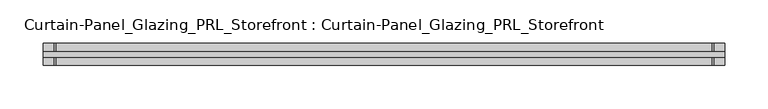
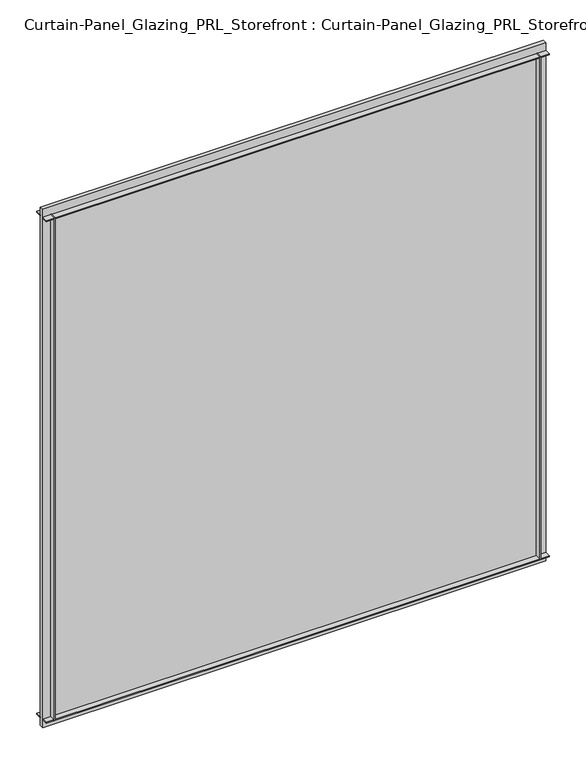
"""IFC4 building model written with IfcOpenShell, lengths in millimetres: plate geometry, Curtain-Panel_Glazing_PRL_Storefront : Curtain-Panel_Glazing_PRL_Storefront."""

import ifcopenshell
import ifcopenshell.guid

model = None  # the IFC model being written
_history = None  # IfcOwnerHistory: only IFC2X3 demands one
_inside = {}  # id of a spatial element -> (the spatial element, [elements in it])
_under = {}  # id of a project, library or spatial element -> (it, [spatial elements below it])
_declared = {}  # id of a project -> (the project, [libraries it declares])
_typed = {}  # id of a type object -> (the type object, [elements of that type])
_made_of = {}  # id of a material, layer set ... -> (it, [elements and type objects made of it])


def new_model(schema):
    """Start an empty IFC model of exactly this schema.

    Asked for "IFC4X3", IfcOpenShell would pick the latest addendum, in which some entities
    have other attributes; the version numbers below select the first issue.
    IFC2X3 requires an IfcOwnerHistory on every rooted entity: one is made here for all.
    """
    global model, _history
    if schema == "IFC4X3":
        model = ifcopenshell.file(schema_version=(4, 3, 0, 0))
    else:
        model = ifcopenshell.file(schema=schema)
    _inside.clear()
    _under.clear()
    _declared.clear()
    _typed.clear()
    _made_of.clear()
    _history = None
    if model.schema == "IFC2X3":
        org = make("IfcOrganization", Name="unknown")
        user = make(
            "IfcPersonAndOrganization",
            ThePerson=make("IfcPerson", FamilyName="unknown"),
            TheOrganization=org,
        )
        app = make(
            "IfcApplication",
            ApplicationDeveloper=org,
            Version="unknown",
            ApplicationFullName="unknown",
            ApplicationIdentifier="unknown",
        )
        _history = make(
            "IfcOwnerHistory",
            OwningUser=user,
            OwningApplication=app,
            ChangeAction="ADDED",
            CreationDate=0,
        )
    return model


def make(cls, **values):
    """One entity of the class cls with the attributes given. An attribute that is None is left unset."""
    return model.create_entity(
        cls, **{name: value for name, value in values.items() if value is not None}
    )


def rooted(cls, **values):
    """An entity with a GlobalId (a new one), such as an element, a storey or a relation."""
    return make(cls, GlobalId=ifcopenshell.guid.new(), OwnerHistory=_history, **values)


def si_unit(unit_type, name, prefix=None):
    """IfcSIUnit, for example si_unit("LENGTHUNIT", "METRE", prefix="MILLI")."""
    return make("IfcSIUnit", UnitType=unit_type, Prefix=prefix, Name=name)


def assignment(units):
    """IfcUnitAssignment: the units of a project."""
    return None if units is None else make("IfcUnitAssignment", Units=units)


def point(xyz):
    """IfcCartesianPoint."""
    return None if xyz is None else make("IfcCartesianPoint", Coordinates=xyz)


def direction(xyz):
    """IfcDirection."""
    return None if xyz is None else make("IfcDirection", DirectionRatios=xyz)


def frame(location, z_axis=None, x_axis=None):
    """IfcAxis2Placement3D, a coordinate frame: its origin and axes. An axis left out is left unset."""
    return make(
        "IfcAxis2Placement3D",
        Location=point(location),
        Axis=direction(z_axis),
        RefDirection=direction(x_axis),
    )


def origin():
    """The frame at (0, 0, 0) with its axes left unset."""
    return frame((0.0, 0.0, 0.0))


def origin_with_axes():
    """The frame at (0, 0, 0) with the z axis (0, 0, 1) and the x axis (1, 0, 0) written out."""
    return frame((0.0, 0.0, 0.0), z_axis=(0.0, 0.0, 1.0), x_axis=(1.0, 0.0, 0.0))


def place(relative_to, where):
    """IfcLocalPlacement: puts the frame where relative to a parent placement (None: the world)."""
    return make(
        "IfcLocalPlacement", PlacementRelTo=relative_to, RelativePlacement=where
    )


def context(
    kind, dimensions, precision=None, world=None, true_north=None, identifier=None
):
    """IfcGeometricRepresentationContext, for example the 3D "Model" context."""
    return make(
        "IfcGeometricRepresentationContext",
        ContextIdentifier=identifier,
        ContextType=kind,
        CoordinateSpaceDimension=dimensions,
        Precision=precision,
        WorldCoordinateSystem=world,
        TrueNorth=true_north,
    )


def project(units=None, contexts=None):
    """IfcProject with its units and contexts."""
    return rooted(
        "IfcProject",
        Name="project",
        RepresentationContexts=contexts,
        UnitsInContext=assignment(units),
    )


def spatial(cls, under=None, at=None, **own):
    """A site, building, storey or space (cls), placed at a placement, below another one or the project."""
    s = rooted(cls, ObjectPlacement=at, **own)
    if under is not None:
        _under.setdefault(under.id(), (under, []))[1].append(s)
    return s


def polyline(points):
    """IfcPolyline through the points."""
    return make("IfcPolyline", Points=[point(p) for p in points])


def outline(outer, holes=None, kind="AREA"):
    """IfcArbitraryClosedProfileDef: a profile drawn as a closed curve; with holes, ...WithVoids."""
    if holes is None:
        return make("IfcArbitraryClosedProfileDef", ProfileType=kind, OuterCurve=outer)
    return make(
        "IfcArbitraryProfileDefWithVoids",
        ProfileType=kind,
        OuterCurve=outer,
        InnerCurves=holes,
    )


def extrude(swept, where, along, depth):
    """IfcExtrudedAreaSolid: the profile swept, set in the frame where, extruded along a direction by depth."""
    return make(
        "IfcExtrudedAreaSolid",
        SweptArea=swept,
        Position=where,
        ExtrudedDirection=direction(along),
        Depth=depth,
    )


def shape(context_of_items, identifier, shape_type, items):
    """IfcShapeRepresentation: the items that make up one representation, for example the "Body"."""
    return make(
        "IfcShapeRepresentation",
        ContextOfItems=context_of_items,
        RepresentationIdentifier=identifier,
        RepresentationType=shape_type,
        Items=items,
    )


def source(mapping_origin, context_of_items, identifier, shape_type, items):
    """IfcRepresentationMap: a shape defined once, which mapped items show again and again."""
    return make(
        "IfcRepresentationMap",
        MappingOrigin=mapping_origin,
        MappedRepresentation=shape(context_of_items, identifier, shape_type, items),
    )


def transform(
    local_origin,
    x_axis=None,
    y_axis=None,
    z_axis=None,
    scale=None,
    scale2=None,
    scale3=None,
    uniform=True,
):
    """IfcCartesianTransformationOperator3D, or its non-uniform kind. x_axis, y_axis, z_axis: its Axis1, 2, 3."""
    if uniform:
        return make(
            "IfcCartesianTransformationOperator3D",
            Axis1=direction(x_axis),
            Axis2=direction(y_axis),
            LocalOrigin=point(local_origin),
            Scale=scale,
            Axis3=direction(z_axis),
        )
    return make(
        "IfcCartesianTransformationOperator3DnonUniform",
        Axis1=direction(x_axis),
        Axis2=direction(y_axis),
        LocalOrigin=point(local_origin),
        Scale=scale,
        Axis3=direction(z_axis),
        Scale2=scale2,
        Scale3=scale3,
    )


def mapped(mapping_source, mapping_target):
    """IfcMappedItem: shows the shape of a source again, moved by a transform."""
    return make(
        "IfcMappedItem", MappingSource=mapping_source, MappingTarget=mapping_target
    )


def made_of(thing, what):
    """Note that an element or type object is made of a material, layer set ...; save() writes the relation."""
    if what is not None:
        _made_of.setdefault(what.id(), (what, []))[1].append(thing)
    return thing


def element(
    cls,
    number,
    at=None,
    inside=None,
    cuts=None,
    type_object=None,
    material=None,
    context=None,
    identifier="Body",
    shape_type=None,
    held_by="IfcProductDefinitionShape",
    body=None,
    shapes=None,
    **own,
):
    """One element of the class cls, such as IfcWall. Its Tag is "e" and its number.

    at: its placement. inside: the storey or other place that contains it. cuts: it is an
    opening in that element (IfcRelVoidsElement). A single representation is given by context,
    identifier, shape_type and body (its items); several are given by shapes. held_by: the class
    of the entity that holds the representations. save() writes the other relations.
    """
    e = rooted(cls, Tag="e%d" % number, ObjectPlacement=at, **own)
    if body is not None:
        shapes = [shape(context, identifier, shape_type, body)]
    if shapes is not None:
        e.Representation = make(held_by, Representations=shapes)
    if inside is not None:
        _inside.setdefault(inside.id(), (inside, []))[1].append(e)
    if cuts is not None:
        rooted(
            "IfcRelVoidsElement", RelatingBuildingElement=cuts, RelatedOpeningElement=e
        )
    if type_object is not None:
        _typed.setdefault(type_object.id(), (type_object, []))[1].append(e)
    return made_of(e, material)


def aggregate(whole, parts):
    """IfcRelAggregates: a whole, such as a stair, and the parts it consists of."""
    return rooted("IfcRelAggregates", RelatingObject=whole, RelatedObjects=parts)


def save(model, path):
    """Write the relations noted so far, then the file.

    IfcRelAggregates (storeys below a building ...), IfcRelContainedInSpatialStructure (elements
    in a storey), IfcRelDefinesByType, IfcRelAssociatesMaterial and IfcRelDeclares: one each for
    every whole, place, type object, material and project.
    """
    for whole, parts in _under.values():
        aggregate(whole, parts)
    for where, things in _inside.values():
        rooted(
            "IfcRelContainedInSpatialStructure",
            RelatedElements=things,
            RelatingStructure=where,
        )
    for kind, things in _typed.values():
        rooted("IfcRelDefinesByType", RelatedObjects=things, RelatingType=kind)
    for what, things in _made_of.values():
        rooted("IfcRelAssociatesMaterial", RelatedObjects=things, RelatingMaterial=what)
    for by, libraries in _declared.values():
        rooted("IfcRelDeclares", RelatingContext=by, RelatedDefinitions=libraries)
    model.write(path)


def curtain_panel_glazing_prl_storefront_curtain_panel_glazing_763da0e8(model_context):
    return source(origin(), model_context, "Body", "SweptSolid", [
        extrude(outline(polyline([(381.0, 12.7), (381.0, 3.175), (379.4125, 3.175), (379.4125, 12.7), (381.0, 12.7)])), frame((0.0, 0.0, 12.7), z_axis=(0.0, 0.0, 1.0), x_axis=(1.0, 0.0, 0.0)), (0.0, 0.0, 1.0), 831.85),
        extrude(outline(polyline([(381.0, -12.7), (379.4125, -12.7), (379.4125, -3.175), (381.0, -3.175), (381.0, -12.7)])), frame((0.0, 0.0, 12.7), z_axis=(0.0, 0.0, 1.0), x_axis=(1.0, 0.0, 0.0)), (0.0, 0.0, 1.0), 831.85),
        extrude(outline(polyline([(-381.0, 12.7), (-379.4125, 12.7), (-379.4125, 3.175), (-381.0, 3.175), (-381.0, 12.7)])), frame((0.0, 0.0, 12.7), z_axis=(0.0, 0.0, 1.0), x_axis=(1.0, 0.0, 0.0)), (0.0, 0.0, 1.0), 831.85),
        extrude(outline(polyline([(-381.0, -12.7), (-381.0, -3.175), (-379.4125, -3.175), (-379.4125, -12.7), (-381.0, -12.7)])), frame((0.0, 0.0, 12.7), z_axis=(0.0, 0.0, 1.0), x_axis=(1.0, 0.0, 0.0)), (0.0, 0.0, 1.0), 831.85),
        extrude(outline(polyline([(393.7, -3.175), (-393.7, -3.175), (-393.7, 3.175), (393.7, 3.175), (393.7, -3.175)])), origin_with_axes(), (0.0, 0.0, 1.0), 857.25),
        extrude(outline(polyline([(-393.7, 12.7), (393.7, 12.7), (393.7, 3.175), (-393.7, 3.175), (-393.7, 12.7)])), frame((0.0, 0.0, 842.9625), z_axis=(0.0, 0.0, 1.0), x_axis=(1.0, 0.0, 0.0)), (0.0, 0.0, 1.0), 1.5875),
        extrude(outline(polyline([(-393.7, -12.7), (-393.7, -3.175), (393.7, -3.175), (393.7, -12.7), (-393.7, -12.7)])), frame((0.0, 0.0, 842.9625), z_axis=(0.0, 0.0, 1.0), x_axis=(1.0, 0.0, 0.0)), (0.0, 0.0, 1.0), 1.5875),
        extrude(outline(polyline([(-393.7, 12.7), (393.7, 12.7), (393.7, 3.175), (-393.7, 3.175), (-393.7, 12.7)])), frame((0.0, 0.0, 12.7), z_axis=(0.0, 0.0, 1.0), x_axis=(1.0, 0.0, 0.0)), (0.0, 0.0, 1.0), 1.5875),
        extrude(outline(polyline([(-393.7, -12.7), (-393.7, -3.175), (393.7, -3.175), (393.7, -12.7), (-393.7, -12.7)])), frame((0.0, 0.0, 12.7), z_axis=(0.0, 0.0, 1.0), x_axis=(1.0, 0.0, 0.0)), (0.0, 0.0, 1.0), 1.5875),
    ])


if __name__ == "__main__":
    model = new_model("IFC4")
    model_context = context("Model", 3, world=origin())
    ifc_project = project(units=[si_unit("LENGTHUNIT", "METRE", prefix="MILLI")], contexts=[model_context])
    site = spatial("IfcSite", under=ifc_project)
    building = spatial("IfcBuilding", under=site)
    placement = place(None, origin())
    curtain_panel_glazing_prl_storefront_curtain_panel_glazing_shape = curtain_panel_glazing_prl_storefront_curtain_panel_glazing_763da0e8(model_context)
    element("IfcPlate", 1, ObjectType="Curtain-Panel_Glazing_PRL_Storefront : Curtain-Panel_Glazing_PRL_Storefront", at=placement, inside=building, context=model_context, shape_type="MappedRepresentation", body=[
        mapped(curtain_panel_glazing_prl_storefront_curtain_panel_glazing_shape, transform((0.0, 0.0, 0.0), x_axis=(1.0, 0.0, 0.0), y_axis=(0.0, 1.0, 0.0), z_axis=(0.0, 0.0, 1.0))),
    ])
    save(model, "model.ifc")
